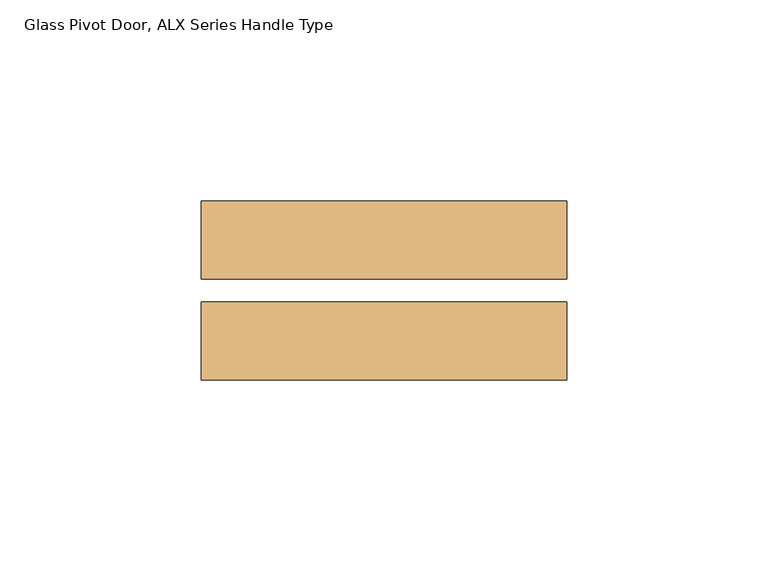
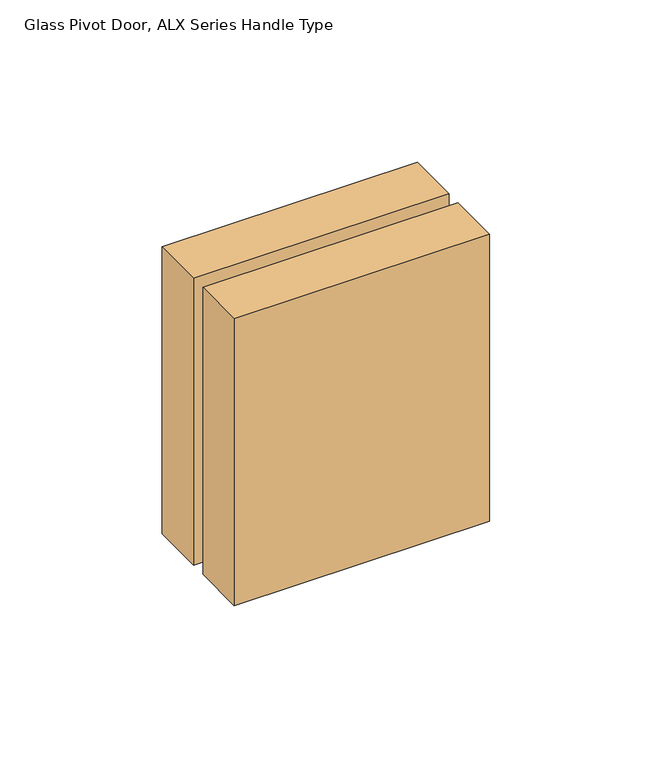
"""IFC4 building model written with IfcOpenShell, lengths in millimetres: door geometry, Glass Pivot Door, ALX Series Handle Type."""

from ifc_helpers import new_model, si_unit, frame, origin, place, context, project, spatial, polyline, outline, extrude, source, transform, mapped, element, save


def glass_pivot_door_alx_series_handle_type_61fd3217(model_context):
    return source(origin(), model_context, "Body", "SweptSolid", [
        extrude(outline(polyline([(-371.475, 49.2748545), (-371.475, 29.9073545), (-462.28, 29.9073545), (-462.28, 49.2748545), (-371.475, 49.2748545)])), frame((0.0, 0.0, 954.1764), z_axis=(0.0, 0.0, 1.0), x_axis=(1.0, 0.0, 0.0)), (0.0, 0.0, 1.0), 107.95),
        extrude(outline(polyline([(-371.475, 24.1923545), (-371.475, 4.8248545), (-462.28, 4.8248545), (-462.28, 24.1923545), (-371.475, 24.1923545)])), frame((0.0, 0.0, 954.1764), z_axis=(0.0, 0.0, 1.0), x_axis=(1.0, 0.0, 0.0)), (0.0, 0.0, 1.0), 107.95),
    ])


if __name__ == "__main__":
    model = new_model("IFC4")
    model_context = context("Model", 3, world=origin())
    ifc_project = project(units=[si_unit("LENGTHUNIT", "METRE", prefix="MILLI")], contexts=[model_context])
    site = spatial("IfcSite", under=ifc_project)
    building = spatial("IfcBuilding", under=site)
    placement = place(None, origin())
    glass_pivot_door_alx_series_handle_type_shape = glass_pivot_door_alx_series_handle_type_61fd3217(model_context)
    element("IfcDoor", 1, ObjectType="Glass Pivot Door, ALX Series Handle Type", at=placement, inside=building, context=model_context, shape_type="MappedRepresentation", body=[
        mapped(glass_pivot_door_alx_series_handle_type_shape, transform((0.0, 0.0, 0.0), x_axis=(1.0, 0.0, 0.0), y_axis=(0.0, 1.0, 0.0), z_axis=(0.0, 0.0, 1.0))),
    ])
    save(model, "model.ifc")
